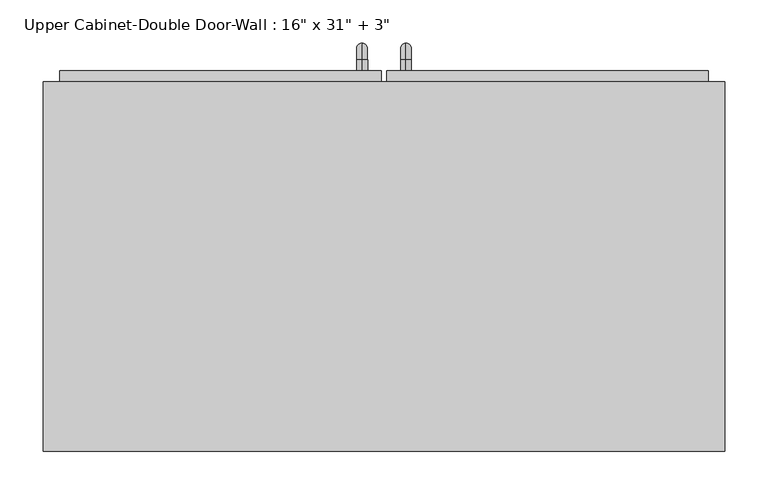
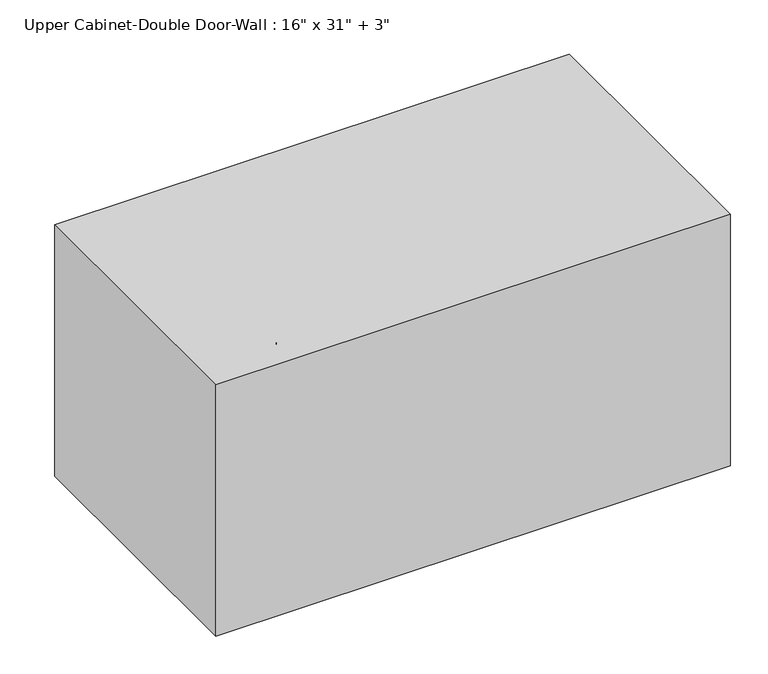
"""IFC4 building model written with IfcOpenShell, lengths in millimetres: furniture geometry."""

from ifc_helpers import new_model, si_unit, point, frame, origin, place, context, project, spatial, polyline, circle_curve, ellipse_curve, trimmed, outline, extrude, faceted_brep, source, transform, mapped, element, save
from ifc_brep_helpers import plane_surface, cylinder_surface, revolved_surface, advanced_brep


def furniture_562ed95c(model_context):
    return source(origin(), model_context, "Body", "SolidModel", [
        faceted_brep([(-363.9288372, 61.9125, 2133.6), (-363.9288372, 61.9125, 1727.2), (423.4711628, 61.9125, 1727.2), (423.4711628, 61.9125, 2133.6), (-363.9288372, 488.9125, 2133.6), (423.4711628, 488.9125, 2133.6), (423.4711628, 488.9125, 1727.2), (-363.9288372, 488.9125, 1727.2), (-344.8788372, 488.9125, 2114.55), (-344.8788372, 488.9125, 1746.25), (404.4211628, 488.9125, 1746.25), (404.4211628, 488.9125, 2114.55), (404.4211628, 80.9625, 2114.55), (-344.8788372, 80.9625, 2114.55), (404.4211628, 80.9625, 1746.25), (-344.8788372, 80.9625, 1746.25)], [[[0, 1, 2, 3]], [[4, 5, 6, 7], [8, 9, 10, 11]], [[1, 0, 4, 7]], [[2, 1, 7, 6]], [[3, 2, 6, 5]], [[0, 3, 5, 4]], [[8, 11, 12, 13]], [[11, 10, 14, 12]], [[10, 9, 15, 14]], [[9, 8, 13, 15]], [[13, 12, 14, 15]]]),
        advanced_brep(
        [(55.1711628, 501.6125, 1873.25), (55.1711628, 501.6125, 1885.95), (55.1711628, 514.3125, 1873.25), (55.1711628, 514.3125, 1885.95), (55.1711628, 533.3625, 1866.9), (55.1711628, 520.6625, 1866.9), (55.1711628, 520.6625, 1790.7), (55.1711628, 533.3625, 1790.7), (55.1711628, 514.3125, 1771.65), (55.1711628, 514.3125, 1784.35), (55.1711628, 501.6125, 1784.35), (55.1711628, 501.6125, 1771.65)],
        [
            (0, 1, circle_curve(frame((55.1711628, 501.6125, 1879.6), z_axis=(0.0, -1.0, 0.0), x_axis=(0.0, 0.0, -1.0)), 6.35)),
            (1, 0, circle_curve(frame((55.1711628, 501.6125, 1879.6), z_axis=(0.0, -1.0, 0.0), x_axis=(0.0, 0.0, -1.0)), 6.35)),
            (0, 2),
            (2, 3, circle_curve(frame((55.1711628, 514.3125, 1879.6), z_axis=(0.0, -1.0, 0.0), x_axis=(0.0, 0.0, -1.0)), 6.35)),
            (3, 1),
            (3, 2, circle_curve(frame((55.1711628, 514.3125, 1879.6), z_axis=(0.0, -1.0, 0.0), x_axis=(0.0, 0.0, -1.0)), 6.35)),
            (4, 3, circle_curve(frame((55.1711628, 514.3125, 1866.9), z_axis=(1.0, 0.0, 0.0), x_axis=(0.0, 0.0, 1.0)), 19.05)),
            (2, 5, circle_curve(frame((55.1711628, 514.3125, 1866.9), z_axis=(-1.0, 0.0, 0.0), x_axis=(0.0, 0.0, 1.0)), 6.35)),
            (5, 4, circle_curve(frame((55.1711628, 527.0125, 1866.9), z_axis=(0.0, 0.0, 1.0), x_axis=(0.0, -1.0, 0.0)), 6.35)),
            (4, 5, circle_curve(frame((55.1711628, 527.0125, 1866.9), z_axis=(0.0, 0.0, 1.0), x_axis=(0.0, -1.0, 0.0)), 6.35)),
            (5, 6),
            (6, 7, circle_curve(frame((55.1711628, 527.0125, 1790.7), z_axis=(0.0, 0.0, 1.0), x_axis=(0.0, -1.0, 0.0)), 6.35)),
            (7, 4),
            (7, 6, circle_curve(frame((55.1711628, 527.0125, 1790.7), z_axis=(0.0, 0.0, 1.0), x_axis=(0.0, -1.0, 0.0)), 6.35)),
            (8, 7, circle_curve(frame((55.1711628, 514.3125, 1790.7), z_axis=(1.0, 0.0, 0.0), x_axis=(0.0, 1.0, 0.0)), 19.05)),
            (6, 9, circle_curve(frame((55.1711628, 514.3125, 1790.7), z_axis=(-1.0, 0.0, 0.0), x_axis=(0.0, 1.0, 0.0)), 6.35)),
            (9, 8, circle_curve(frame((55.1711628, 514.3125, 1778.0), z_axis=(0.0, 1.0, 0.0), x_axis=(0.0, 0.0, 1.0)), 6.35)),
            (8, 9, circle_curve(frame((55.1711628, 514.3125, 1778.0), z_axis=(0.0, 1.0, 0.0), x_axis=(0.0, 0.0, 1.0)), 6.35)),
            (10, 11, circle_curve(frame((55.1711628, 501.6125, 1778.0), z_axis=(0.0, -1.0, 0.0), x_axis=(0.0, 0.0, 1.0)), 6.35)),
            (11, 10, circle_curve(frame((55.1711628, 501.6125, 1778.0), z_axis=(0.0, -1.0, 0.0), x_axis=(0.0, 0.0, 1.0)), 6.35)),
            (9, 10),
            (11, 8),
        ],
        [
            plane_surface(frame((48.8211628, 501.6125, 1879.6), z_axis=(0.0, -1.0, 0.0), x_axis=(0.0, 0.0, 1.0))),
            cylinder_surface(frame((55.1711628, 501.6125, 1879.6), z_axis=(0.0, -1.0, 0.0), x_axis=(0.0, 0.0, -1.0)), 6.35),
            revolved_surface(trimmed(ellipse_curve(frame((55.1711628, 514.3125, 1879.6), z_axis=(0.0, -1.0, 0.0), x_axis=(0.0, 0.0, -1.0)), 6.35, 6.35), [point((55.1711628, 514.3125, 1873.25))], [point((55.1711628, 514.3125, 1885.95))], True, "CARTESIAN"), (55.1711628, 514.3125, 1866.9), (-1.0, 0.0, 0.0)),
            revolved_surface(trimmed(ellipse_curve(frame((55.1711628, 514.3125, 1879.6), z_axis=(0.0, -1.0, 0.0), x_axis=(0.0, 0.0, -1.0)), 6.35, 6.35), [point((55.1711628, 514.3125, 1885.95))], [point((55.1711628, 514.3125, 1873.25))], True, "CARTESIAN"), (55.1711628, 514.3125, 1866.9), (-1.0, 0.0, 0.0)),
            cylinder_surface(frame((55.1711628, 527.0125, 1866.9), z_axis=(0.0, 0.0, 1.0), x_axis=(0.0, -1.0, 0.0)), 6.35),
            revolved_surface(trimmed(ellipse_curve(frame((55.1711628, 527.0125, 1790.7), z_axis=(0.0, 0.0, 1.0), x_axis=(0.0, -1.0, 0.0)), 6.35, 6.35), [point((55.1711628, 520.6625, 1790.7))], [point((55.1711628, 533.3625, 1790.7))], True, "CARTESIAN"), (55.1711628, 514.3125, 1790.7), (-1.0, 0.0, 0.0)),
            revolved_surface(trimmed(ellipse_curve(frame((55.1711628, 527.0125, 1790.7), z_axis=(0.0, 0.0, 1.0), x_axis=(0.0, -1.0, 0.0)), 6.35, 6.35), [point((55.1711628, 533.3625, 1790.7))], [point((55.1711628, 520.6625, 1790.7))], True, "CARTESIAN"), (55.1711628, 514.3125, 1790.7), (-1.0, 0.0, 0.0)),
            plane_surface(frame((48.8211628, 501.6125, 1778.0), z_axis=(0.0, -1.0, 0.0), x_axis=(0.0, 0.0, -1.0))),
            cylinder_surface(frame((55.1711628, 514.3125, 1778.0), z_axis=(0.0, 1.0, 0.0), x_axis=(0.0, 0.0, 1.0)), 6.35),
        ],
        [
            (0, [[1, 2]]),
            (1, [[-1, 3, 4, 5]]),
            (1, [[-2, -5, 6, -3]]),
            (2, [[7, -4, 8, 9]]),
            (3, [[-8, -6, -7, 10]]),
            (4, [[-9, 11, 12, 13]]),
            (4, [[-10, -13, 14, -11]]),
            (5, [[15, -12, 16, 17]]),
            (6, [[-16, -14, -15, 18]]),
            (7, [[19, 20]]),
            (8, [[-17, 21, -20, 22]]),
            (8, [[-18, -22, -19, -21]]),
        ],
    ),
        advanced_brep(
        [(4.3711628, 501.6125, 1873.25), (4.3711628, 501.6125, 1885.95), (4.3711628, 514.3125, 1873.25), (4.3711628, 514.3125, 1885.95), (4.3711628, 533.3625, 1866.9), (4.3711628, 520.6625, 1866.9), (4.3711628, 520.6625, 1790.7), (4.3711628, 533.3625, 1790.7), (4.3711628, 514.3125, 1771.65), (4.3711628, 514.3125, 1784.35), (4.3711628, 501.6125, 1784.35), (4.3711628, 501.6125, 1771.65)],
        [
            (0, 1, circle_curve(frame((4.3711628, 501.6125, 1879.6), z_axis=(0.0, -1.0, 0.0), x_axis=(0.0, 0.0, 1.0)), 6.35)),
            (1, 0, circle_curve(frame((4.3711628, 501.6125, 1879.6), z_axis=(0.0, -1.0, 0.0), x_axis=(0.0, 0.0, 1.0)), 6.35)),
            (0, 2),
            (2, 3, circle_curve(frame((4.3711628, 514.3125, 1879.6), z_axis=(0.0, -1.0, 0.0), x_axis=(0.0, 0.0, 1.0)), 6.35)),
            (3, 1),
            (3, 2, circle_curve(frame((4.3711628, 514.3125, 1879.6), z_axis=(0.0, -1.0, 0.0), x_axis=(0.0, 0.0, 1.0)), 6.35)),
            (4, 3, circle_curve(frame((4.3711628, 514.3125, 1866.9), z_axis=(1.0, 0.0, 0.0), x_axis=(0.0, 0.0, 1.0)), 19.05)),
            (2, 5, circle_curve(frame((4.3711628, 514.3125, 1866.9), z_axis=(-1.0, 0.0, 0.0), x_axis=(0.0, 0.0, 1.0)), 6.35)),
            (5, 4, circle_curve(frame((4.3711628, 527.0125, 1866.9), z_axis=(0.0, 0.0, 1.0), x_axis=(0.0, 1.0, 0.0)), 6.35)),
            (4, 5, circle_curve(frame((4.3711628, 527.0125, 1866.9), z_axis=(0.0, 0.0, 1.0), x_axis=(0.0, 1.0, 0.0)), 6.35)),
            (5, 6),
            (6, 7, circle_curve(frame((4.3711628, 527.0125, 1790.7), z_axis=(0.0, 0.0, 1.0), x_axis=(0.0, 1.0, 0.0)), 6.35)),
            (7, 4),
            (7, 6, circle_curve(frame((4.3711628, 527.0125, 1790.7), z_axis=(0.0, 0.0, 1.0), x_axis=(0.0, 1.0, 0.0)), 6.35)),
            (8, 7, circle_curve(frame((4.3711628, 514.3125, 1790.7), z_axis=(1.0, 0.0, 0.0), x_axis=(0.0, 1.0, 0.0)), 19.05)),
            (6, 9, circle_curve(frame((4.3711628, 514.3125, 1790.7), z_axis=(-1.0, 0.0, 0.0), x_axis=(0.0, 1.0, 0.0)), 6.35)),
            (9, 8, circle_curve(frame((4.3711628, 514.3125, 1778.0), z_axis=(0.0, 1.0, 0.0), x_axis=(0.0, 0.0, -1.0)), 6.35)),
            (8, 9, circle_curve(frame((4.3711628, 514.3125, 1778.0), z_axis=(0.0, 1.0, 0.0), x_axis=(0.0, 0.0, -1.0)), 6.35)),
            (10, 11, circle_curve(frame((4.3711628, 501.6125, 1778.0), z_axis=(0.0, -1.0, 0.0), x_axis=(0.0, 0.0, -1.0)), 6.35)),
            (11, 10, circle_curve(frame((4.3711628, 501.6125, 1778.0), z_axis=(0.0, -1.0, 0.0), x_axis=(0.0, 0.0, -1.0)), 6.35)),
            (9, 10),
            (11, 8),
        ],
        [
            plane_surface(frame((-1.9788372, 501.6125, 1879.6), z_axis=(0.0, -1.0, 0.0), x_axis=(0.0, 0.0, 1.0))),
            cylinder_surface(frame((4.3711628, 501.6125, 1879.6), z_axis=(0.0, -1.0, 0.0), x_axis=(0.0, 0.0, 1.0)), 6.35),
            revolved_surface(trimmed(ellipse_curve(frame((4.3711628, 514.3125, 1879.6), z_axis=(0.0, -1.0, 0.0), x_axis=(0.0, 0.0, 1.0)), 6.35, 6.35), [point((4.3711628, 514.3125, 1873.25))], [point((4.3711628, 514.3125, 1885.95))], True, "CARTESIAN"), (4.3711628, 514.3125, 1866.9), (-1.0, 0.0, 0.0)),
            revolved_surface(trimmed(ellipse_curve(frame((4.3711628, 514.3125, 1879.6), z_axis=(0.0, -1.0, 0.0), x_axis=(0.0, 0.0, 1.0)), 6.35, 6.35), [point((4.3711628, 514.3125, 1885.95))], [point((4.3711628, 514.3125, 1873.25))], True, "CARTESIAN"), (4.3711628, 514.3125, 1866.9), (-1.0, 0.0, 0.0)),
            cylinder_surface(frame((4.3711628, 527.0125, 1866.9), z_axis=(0.0, 0.0, 1.0), x_axis=(0.0, 1.0, 0.0)), 6.35),
            revolved_surface(trimmed(ellipse_curve(frame((4.3711628, 527.0125, 1790.7), z_axis=(0.0, 0.0, 1.0), x_axis=(0.0, 1.0, 0.0)), 6.35, 6.35), [point((4.3711628, 520.6625, 1790.7))], [point((4.3711628, 533.3625, 1790.7))], True, "CARTESIAN"), (4.3711628, 514.3125, 1790.7), (-1.0, 0.0, 0.0)),
            revolved_surface(trimmed(ellipse_curve(frame((4.3711628, 527.0125, 1790.7), z_axis=(0.0, 0.0, 1.0), x_axis=(0.0, 1.0, 0.0)), 6.35, 6.35), [point((4.3711628, 533.3625, 1790.7))], [point((4.3711628, 520.6625, 1790.7))], True, "CARTESIAN"), (4.3711628, 514.3125, 1790.7), (-1.0, 0.0, 0.0)),
            plane_surface(frame((-1.9788372, 501.6125, 1778.0), z_axis=(0.0, -1.0, 0.0), x_axis=(0.0, 0.0, -1.0))),
            cylinder_surface(frame((4.3711628, 514.3125, 1778.0), z_axis=(0.0, 1.0, 0.0), x_axis=(0.0, 0.0, -1.0)), 6.35),
        ],
        [
            (0, [[1, 2]]),
            (1, [[-1, 3, 4, 5]]),
            (1, [[-2, -5, 6, -3]]),
            (2, [[7, -4, 8, 9]]),
            (3, [[-8, -6, -7, 10]]),
            (4, [[-9, 11, 12, 13]]),
            (4, [[-10, -13, 14, -11]]),
            (5, [[15, -12, 16, 17]]),
            (6, [[-16, -14, -15, 18]]),
            (7, [[19, 20]]),
            (8, [[-17, 21, -20, 22]]),
            (8, [[-18, -22, -19, -21]]),
        ],
    ),
        extrude(outline(polyline([(32.9461628, 501.6125), (404.4211628, 501.6125), (404.4211628, 469.8625), (32.9461628, 469.8625), (32.9461628, 501.6125)])), frame((0.0, 0.0, 1746.25), z_axis=(0.0, 0.0, 1.0), x_axis=(1.0, 0.0, 0.0)), (0.0, 0.0, 1.0), 368.3),
        extrude(outline(polyline([(-344.8788372, 501.6125), (26.5961628, 501.6125), (26.5961628, 469.8625), (-344.8788372, 469.8625), (-344.8788372, 501.6125)])), frame((0.0, 0.0, 1746.25), z_axis=(0.0, 0.0, 1.0), x_axis=(1.0, 0.0, 0.0)), (0.0, 0.0, 1.0), 368.3),
    ])


if __name__ == "__main__":
    model = new_model("IFC4")
    model_context = context("Model", 3, world=origin())
    ifc_project = project(units=[si_unit("LENGTHUNIT", "METRE", prefix="MILLI")], contexts=[model_context])
    site = spatial("IfcSite", under=ifc_project)
    building = spatial("IfcBuilding", under=site)
    placement = place(None, origin())
    furniture_shape = furniture_562ed95c(model_context)
    element("IfcFurniture", 1, ObjectType="Upper Cabinet-Double Door-Wall : 16\" x 31\" + 3\"", at=placement, inside=building, context=model_context, shape_type="MappedRepresentation", body=[
        mapped(furniture_shape, transform((0.0, 0.0, 0.0), x_axis=(1.0, 0.0, 0.0), y_axis=(0.0, 1.0, 0.0), z_axis=(0.0, 0.0, 1.0))),
    ])
    save(model, "model.ifc")
